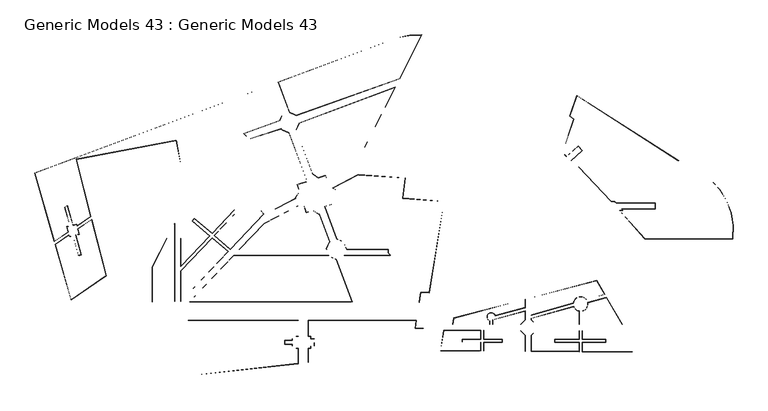
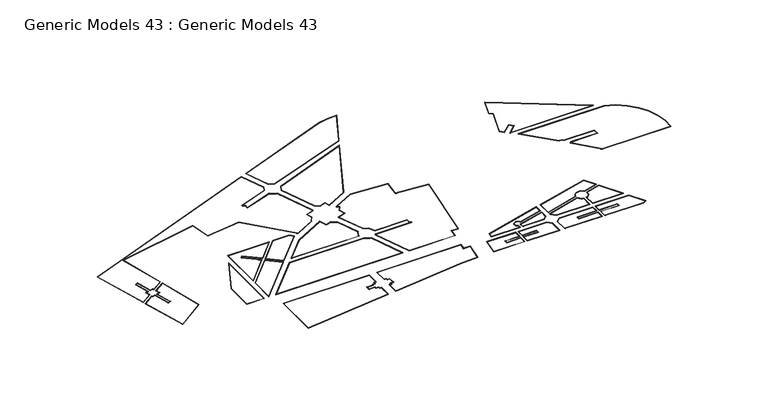
"""IFC4 building model written with IfcOpenShell, lengths in millimetres: proxy geometry, Generic Models 43 : Generic Models 43."""

from ifc_helpers import new_model, si_unit, point, frame_2d, origin, origin_with_axes, place, context, project, spatial, polyline, circle_curve, trimmed, segment, composite_curve, outline, extrude, source, transform, mapped, element, save


def generic_models_43_generic_models_43_cb054e68(model_context):
    return source(origin(), model_context, "Body", "SweptSolid", [
        extrude(outline(polyline([(-269032.5259312, -10984.4092167), (-278519.8318479, -69469.1233099), (-283890.3068298, -69177.7120748), (-284801.5203135, -75496.3488024), (-322251.4695522, -75414.8015954), (-333136.4863604, -46325.8784484), (-332849.1879312, -45673.2146642), (-303321.9254384, -45673.2146642), (-303321.9254384, -45376.1533315), (-304586.168364, -44121.5388453), (-304586.168364, -41726.8486921), (-331205.6612374, -41726.8486921), (-333115.0140359, -36989.9301685), (-337323.1402525, -35137.5398857), (-345123.140968, -14292.9582595), (-338860.059873, -12268.6783026), (-340436.0540532, -7392.5843006), (-337938.6949411, -3765.7659729), (-340010.1065628, -2339.4307608), (-323743.9426698, 6107.5599958), (-293738.9788603, 3983.6135656), (-295350.4188034, -8962.5514236), (-269032.5259312, -10984.4092167)]), holes=[polyline([(-295574.7845145, -9145.9039814), (-293963.5007555, 3799.0062384), (-323701.8150221, 5904.0774802), (-339622.4950529, -2363.5041047), (-337660.5430713, -3714.4674605), (-340215.4399721, -7424.8456995), (-338608.2443418, -12397.4763547), (-344862.4719446, -14418.8947892), (-337165.3797886, -34988.4654318), (-332959.9441725, -36839.6713294), (-331070.6409957, -41526.8486921), (-304386.168364, -41526.8486921), (-304386.168364, -44038.247941), (-303121.9254384, -45292.8624271), (-303121.9254384, -45873.2146642), (-332718.7070513, -45873.2146642), (-332920.6562564, -46331.9882564), (-322112.6523928, -75215.1033954), (-284974.6927387, -75295.9712456), (-284062.1466086, -68968.0935349), (-278688.4704071, -69259.6784738), (-269264.7851452, -11167.1553604), (-295574.7845145, -9145.9039814)])]), origin_with_axes(), (0.0, 0.0, 1.0), 300.0),
        extrude(outline(polyline([(-337810.2638616, -48102.5265197), (-327586.3348763, -75424.7704588), (-431553.4651251, -75176.7966678), (-403409.6548062, -45673.2146642), (-342471.3923765, -45673.2146642), (-342272.7127732, -46178.6207983), (-337810.2638616, -48102.5265197)]), holes=[polyline([(-403324.0354399, -45873.2146642), (-431087.341081, -74977.9078594), (-327874.976129, -75224.0814467), (-337967.7094573, -48252.4424218), (-342428.3759636, -46329.3051529), (-342607.6691523, -45873.2146642), (-403324.0354399, -45873.2146642)])]), origin_with_axes(), (0.0, 0.0, 1.0), 300.0),
        extrude(outline(polyline([(-343954.4007088, -41900.7010515), (-399811.010156, -41900.7010515), (-383730.6821286, -25043.4499819), (-359202.988994, -12306.2613889), (-358831.6800963, -12561.9377353), (-357028.5207557, -18140.8761322), (-352741.743384, -16755.3539935), (-348767.4633511, -19491.9687224), (-348604.7183631, -19255.6204524), (-342003.1253878, -36897.5987875), (-342208.9408352, -36974.6145159), (-344153.9369125, -41393.1158759), (-343954.4007088, -41900.7010515)]), holes=[polyline([(-344247.921008, -41700.7010515), (-344370.5436804, -41388.7704368), (-342358.0152891, -36816.854052), (-342260.5335317, -36780.3765735), (-348657.5762554, -19685.034652), (-348716.1648387, -19770.1205921), (-352774.0047829, -16975.9680747), (-357157.3188078, -18392.6916634), (-359001.084635, -12688.1176213), (-359217.4518152, -12539.1312371), (-383608.953027, -25205.5956003), (-399343.8261333, -41700.7010515), (-344247.921008, -41700.7010515)])]), origin_with_axes(), (0.0, 0.0, 1.0), 300.0),
        extrude(outline(polyline([(-363813.6134301, -9131.4718329), (-380012.8630781, -17645.1838918), (-409405.0272184, 15567.3909903), (-436951.315698, 11772.4807049), (-439867.5169473, 27822.4056227), (-504010.1283319, 15823.5974375), (-494615.2383752, -20690.759759), (-503322.5287332, -26641.1861743), (-503558.5081804, -25724.0239865), (-505971.2317922, -26344.8009786), (-509587.3167813, -13689.0396095), (-511327.5543708, -14878.2908341), (-507908.8267494, -26843.3306749), (-509955.9986048, -27370.0537444), (-509123.5391969, -30605.5062416), (-517854.8684335, -36572.3604515), (-530321.4307079, 7061.4523673), (-379562.4159797, 63475.1738724), (-372466.9455231, 43974.0634688), (-374000.0914312, 40491.173524), (-396937.5943597, 32328.1366075), (-395172.2398452, 30606.1282373), (-395172.2398452, 28310.117077), (-372853.4467453, 35591.0239953), (-372530.717461, 34770.0571864), (-368086.4320432, 32853.9823332), (-356551.3357926, 2075.0623152), (-356967.4210248, 1470.7977788), (-362761.8681208, -402.0157677), (-361322.8246754, -4854.3869763), (-364121.8137519, -8919.2508689), (-363813.6134301, -9131.4718329)]), holes=[polyline([(-379681.3520906, 63217.1243917), (-530078.3994075, 6938.8503673), (-517738.7482354, -36250.7649927), (-509352.1783158, -30519.5139225), (-510199.5256657, -27226.1976684), (-508157.551892, -26700.8120291), (-511559.4856248, -14794.5483088), (-509471.2005174, -13367.4468393), (-505832.4379434, -26102.5763936), (-503414.6521044, -25480.4969256), (-503199.902984, -26315.1449233), (-494843.8774941, -20604.7674399), (-504257.1062921, 15980.8658441), (-439706.6785969, 28055.9620004), (-436788.7917046, 11996.759793), (-409326.2289833, 15780.1356119), (-379967.0498979, -17395.1667987), (-364199.7030014, -9108.4464674), (-364399.9656216, -8970.5493813), (-361543.4387565, -4822.1255774), (-363013.6836521, -273.2177156), (-357093.6009108, 1640.2023175), (-356775.2269849, 2102.564492), (-368243.8229645, 32704.0428592), (-372686.3806514, 34619.3728318), (-372970.6193858, 35342.4264192), (-395372.2398452, 28034.499299), (-395372.2398452, 30521.8256177), (-397306.9095187, 32408.991818), (-374148.3963153, 40650.6822408), (-372682.3487323, 43981.1430654), (-379681.3520906, 63217.1243917)])]), origin_with_axes(), (0.0, 0.0, 1.0), 300.0),
        extrude(outline(polyline([(-326561.352352, 10278.4672785), (-343321.668901, 1535.4494622), (-344593.4072381, 5470.1820618), (-349192.8199892, 3983.6135656), (-352923.4541086, 6552.4582857), (-363432.6437054, 34637.0275526), (-361418.9073538, 39110.7876318), (-300084.1247119, 62150.9214003), (-326561.352352, 10278.4672785)]), holes=[polyline([(-361270.6842108, 38952.8215289), (-363216.4745715, 34630.0117274), (-352758.1945668, 6681.4923389), (-349160.5585903, 4204.2276467), (-344464.609186, 5721.9975931), (-343204.1962447, 1822.3055382), (-326710.4614771, 10426.2609891), (-300496.8613647, 61782.2332866), (-361270.6842108, 38952.8215289)])]), origin_with_axes(), (0.0, 0.0, 1.0), 300.0),
        extrude(outline(composite_curve([segment(polyline([(-297380.8496812, 67444.1513394), (-363373.0187237, 43958.7478162), (-367620.4473838, 45828.4387836), (-374879.5365061, 65227.4979967), (-298559.6442412, 93786.2488965)]), True, "CONTINUOUS"), segment(trimmed(circle_curve(frame_2d((-285091.1180193, 42261.8268842)), 53255.6782164), [point((-298559.6442412, 93786.2488965))], [point((-283094.6489097, 95480.0697469))], False, "CARTESIAN"), True, "CONTINUOUS"), segment(polyline([(-283094.6489097, 95480.0697469), (-297380.8496812, 67444.1513394)]), True, "CONTINUOUS")], self_intersect=False), holes=[composite_curve([segment(polyline([(-374622.1283622, 65110.2757827), (-367462.6869199, 45977.5132375), (-363365.1904499, 44173.8214625), (-297522.9049228, 67605.8841895), (-283415.4430993, 95291.0368026)]), True, "CONTINUOUS"), segment(trimmed(circle_curve(frame_2d((-285091.1180193, 42261.8268842)), 53055.6782164), [point((-283415.4430993, 95291.0368026))], [point((-298499.1580925, 93595.3388662))], True, "CARTESIAN"), True, "CONTINUOUS"), segment(polyline([(-298499.1580925, 93595.3388662), (-374622.1283622, 65110.2757827)]), True, "CONTINUOUS")], self_intersect=False)]), origin_with_axes(), (0.0, 0.0, 1.0), 300.0),
        extrude(outline(polyline([(-400104.6372347, -16455.4403815), (-386407.1724534, -16455.4403815), (-384061.5759416, -19105.9189042), (-405451.6048239, -41726.8486921), (-415700.6772828, -32948.9630801), (-400104.6372347, -16455.4403815)]), holes=[polyline([(-400018.4994186, -16655.4403815), (-415411.011505, -32933.7229906), (-405466.1128596, -41451.0969367), (-384332.6034517, -19101.4481768), (-386497.2493084, -16655.4403815), (-400018.4994186, -16655.4403815)])]), origin_with_axes(), (0.0, 0.0, 1.0), 300.0),
        extrude(outline(polyline([(-417110.5768427, -34439.996081), (-406824.0403165, -43178.2617353), (-437060.1772014, -75154.3536467), (-437017.3950253, -55380.0811935), (-417110.5768427, -34439.996081)]), holes=[polyline([(-436817.5678055, -55460.1579476), (-436859.0868416, -74650.5967684), (-407114.2904919, -43194.1198519), (-417095.9272762, -34714.8621674), (-436817.5678055, -55460.1579476)])]), origin_with_axes(), (0.0, 0.0, 1.0), 300.0),
        extrude(outline(polyline([(-418529.9394912, -33030.0900903), (-437011.3261521, -52574.99825), (-436933.1805067, -16455.4403815), (-402857.1868982, -16455.4403815), (-417153.8754041, -31574.8396431), (-428451.8652911, -21905.7265645), (-429760.1903594, -23434.454512), (-418529.9394912, -33030.0900903)]), holes=[polyline([(-436733.6127441, -16655.4403815), (-436810.2357923, -52071.2413717), (-418819.7732124, -33045.5077877), (-430042.2871403, -23456.483002), (-428473.7725577, -21623.7335297), (-417168.431091, -31299.1382811), (-403321.5590148, -16655.4403815), (-436733.6127441, -16655.4403815)])]), origin_with_axes(), (0.0, 0.0, 1.0), 300.0),
        extrude(outline(polyline([(-440961.0407768, -25103.202977), (-441063.4983475, -75156.088585), (-455282.5128218, -75209.4432927), (-455365.8189064, -53008.395328), (-440961.0407768, -25103.202977)]), holes=[polyline([(-441162.7335248, -25929.9446876), (-455165.6365522, -53056.6174441), (-455083.2646943, -75008.6942361), (-441263.0908995, -74956.836118), (-441162.7335248, -25929.9446876)])]), origin_with_axes(), (0.0, 0.0, 1.0), 300.0),
        extrude(outline(polyline([(-432427.5534149, -87284.9910027), (-361993.7133006, -87284.9910027), (-361993.7133006, -97334.3157641), (-363580.559161, -97323.5477954), (-363590.3668688, -98768.8775903), (-365914.4069442, -98753.107137), (-365921.5727652, -99809.1107182), (-370862.0547176, -99809.1107182), (-370862.0547176, -102462.9058555), (-365939.5808678, -102462.9058555), (-365947.1478069, -103578.0208854), (-363623.1077315, -103593.7913387), (-363632.9154393, -105039.1211336), (-362046.069579, -105049.88914), (-362046.069579, -114773.7152057), (-432427.5534149, -122747.9947171), (-432427.5534149, -87284.9910027)]), holes=[polyline([(-432227.5534149, -87484.9910027), (-432227.5534149, -122524.0549401), (-362246.069579, -114595.0957548), (-362246.069579, -105248.5365862), (-363834.267962, -105237.7594018), (-363824.4602542, -103792.4296069), (-366148.5003295, -103776.6591536), (-366140.942631, -102662.9058555), (-371062.0547176, -102662.9058555), (-371062.0547176, -99609.1107182), (-366120.2202113, -99609.1107182), (-366113.0452124, -98551.7546143), (-363789.0051371, -98567.5250676), (-363779.1974293, -97122.1952775), (-362193.7133006, -97132.9540058), (-362193.7133006, -87484.9910027), (-432227.5534149, -87484.9910027)])]), origin_with_axes(), (0.0, 0.0, 1.0), 300.0),
        extrude(outline(composite_curve([segment(polyline([(-355568.7347876, -87285.0335671), (-286696.3004557, -87285.0335671), (-287488.6483003, -92214.8094537), (-282075.4731565, -92278.3698037), (-284395.735973, -106714.3113704)]), True, "CONTINUOUS"), segment(trimmed(circle_curve(frame_2d((-273390.2047867, -382494.8006785)), 275999.9999995), [point((-284395.735973, -106714.3113704))], [point((-299057.7748002, -107690.9145173))], True, "CARTESIAN"), True, "CONTINUOUS"), segment(polyline([(-299057.7748002, -107690.9145173), (-355621.0910659, -114045.7599009), (-355621.0910659, -105093.4877099), (-354034.2452056, -105104.2557164), (-354024.4374977, -103658.9259215), (-351700.3974224, -103674.6963748), (-351667.6565597, -98849.7826264), (-353991.6966351, -98834.0121731), (-353981.8889272, -97388.6823782), (-355568.7347876, -97377.9143718), (-355568.7347876, -87285.0335671)]), True, "CONTINUOUS")], self_intersect=False), holes=[composite_curve([segment(polyline([(-355368.7347876, -87485.0335671), (-355368.7347876, -97179.2669256), (-353780.5364045, -97190.04411), (-353790.3441124, -98635.3739049), (-351466.304037, -98651.1443582), (-351501.7591541, -103876.0488974), (-353825.7992295, -103860.2784441), (-353835.6069373, -105305.608239), (-355421.0910659, -105294.849473), (-355421.0910659, -113822.0317767), (-299078.2414623, -107491.9556542)]), True, "CONTINUOUS"), segment(trimmed(circle_curve(frame_2d((-273390.2047867, -382494.8006785)), 276199.9999995), [point((-299078.2414623, -107491.9556542))], [point((-284567.2394804, -106521.0448698))], False, "CARTESIAN"), True, "CONTINUOUS"), segment(polyline([(-284567.2394804, -106521.0448698), (-282309.7457664, -92475.632811), (-287722.920626, -92412.0724644), (-286931.0126893, -87485.0335671), (-355368.7347876, -87485.0335671)]), True, "CONTINUOUS")], self_intersect=False)]), origin_with_axes(), (0.0, 0.0, 1.0), 300.0),
        extrude(outline(polyline([(-269099.2000184, -93501.7611645), (-245593.0749647, -93610.7941127), (-245593.0749647, -99146.9218313), (-257346.1374916, -99146.9218313), (-257346.1374916, -101146.9218313), (-245593.0749647, -101146.9218313), (-245593.0749647, -106678.411059), (-271192.2646648, -106503.3774655), (-269099.2000184, -93501.7611645)]), holes=[polyline([(-268928.9494484, -93702.5530218), (-270957.7500193, -106304.9762764), (-245793.0749647, -106477.0388908), (-245793.0749647, -101346.9218313), (-257546.1374916, -101346.9218313), (-257546.1374916, -98946.9218313), (-245793.0749647, -98946.9218313), (-245793.0749647, -93809.8685661), (-268928.9494484, -93702.5530218)])]), origin_with_axes(), (0.0, 0.0, 1.0), 300.0),
        extrude(outline(polyline([(-243593.0749647, -93620.0710946), (-220086.9749311, -93729.1039268), (-217086.9749311, -96706.256009), (-217086.9749311, -106873.3205537), (-243562.2704472, -106692.2966162), (-243575.3170557, -101153.8646099), (-231590.0249479, -101153.8646099), (-231590.0249479, -99153.8646099), (-243577.6727059, -99153.8646099), (-243593.0749647, -93620.0710946)]), holes=[polyline([(-243392.5149329, -93821.003542), (-243378.2285931, -98953.8646099), (-231390.0249479, -98953.8646099), (-231390.0249479, -101353.8646099), (-243374.8453708, -101353.8646099), (-243362.7378195, -106493.6562388), (-217286.9749311, -106671.9483854), (-217286.9749311, -96789.5469133), (-220169.7549137, -93928.7221041), (-243392.5149329, -93821.003542)])]), origin_with_axes(), (0.0, 0.0, 1.0), 300.0),
        extrude(outline(polyline([(-210165.0297819, -93760.9670083), (-182514.6673175, -93760.9670083), (-182514.6673175, -99295.2395057), (-198267.7298443, -99295.2395057), (-198267.7298443, -101295.2395057), (-182514.6673175, -101295.2395057), (-182514.6673175, -107109.7075375), (-213087.1619262, -106900.6691398), (-213165.0297819, -96676.3865822), (-210165.0297819, -93760.9670083)]), holes=[polyline([(-212964.3850307, -96760.2827601), (-212888.6690197, -106702.0216533), (-182714.6673175, -106908.3353692), (-182714.6673175, -101495.2395057), (-198467.7298443, -101495.2395057), (-198467.7298443, -99095.2395057), (-182714.6673175, -99095.2395057), (-182714.6673175, -93960.9670083), (-210083.8571881, -93960.9670083), (-212964.3850307, -96760.2827601)])]), origin_with_axes(), (0.0, 0.0, 1.0), 300.0),
        extrude(outline(polyline([(-180511.3040249, -93760.9670083), (-152864.3332567, -93760.9670083), (-145987.3366375, -105660.4499278), (-148401.6065142, -107342.9544367), (-180485.7975675, -107123.5798658), (-180496.9094085, -101302.1822843), (-165511.6173007, -101302.1822843), (-165511.6173007, -99302.1822843), (-180500.7269938, -99302.1822843), (-180511.3040249, -93760.9670083)]), holes=[polyline([(-180310.921902, -93960.9670083), (-180301.108388, -99102.1822843), (-165311.6173007, -99102.1822843), (-165311.6173007, -101502.1822843), (-180296.5272856, -101502.1822843), (-180286.1763653, -106924.9400939), (-148463.8050162, -107142.5244815), (-146252.4445855, -105601.4275515), (-152979.7459601, -93960.9670083), (-180310.921902, -93960.9670083)])]), origin_with_axes(), (0.0, 0.0, 1.0), 300.0),
        extrude(outline(composite_curve([segment(polyline([(-177150.0953402, -75705.3519288), (-165199.5705755, -72416.9190305), (-155176.0292071, -89760.9670083), (-180403.6949021, -89760.9670083), (-180403.6949021, -81138.2607653)]), True, "CONTINUOUS"), segment(trimmed(circle_curve(frame_2d((-181692.4791861, -76675.7540347)), 4644.8822645), [point((-180403.6949021, -81138.2607653))], [point((-177150.0953402, -75705.3519288))], True, "CARTESIAN"), True, "CONTINUOUS")], self_intersect=False), holes=[composite_curve([segment(polyline([(-155522.6115055, -89560.9670083), (-165295.4410813, -72650.7335078), (-176918.6419983, -75849.0965112)]), True, "CONTINUOUS"), segment(trimmed(circle_curve(frame_2d((-181692.4791861, -76675.7540347)), 4844.8822645), [point((-176918.6419983, -75849.0965112))], [point((-180203.6949021, -81286.2209864))], False, "CARTESIAN"), True, "CONTINUOUS"), segment(polyline([(-180203.6949021, -81286.2209864), (-180203.6949021, -89560.9670083), (-155522.6115055, -89560.9670083)]), True, "CONTINUOUS")], self_intersect=False)]), origin_with_axes(), (0.0, 0.0, 1.0), 300.0),
        extrude(outline(composite_curve([segment(polyline([(-213247.3639948, -85865.6579736), (-186074.1306094, -78217.2020734)]), True, "CONTINUOUS"), segment(trimmed(circle_curve(frame_2d((-181692.4791861, -76675.7540347)), 4644.8822645), [point((-186074.1306094, -78217.2020734))], [point((-182670.5294945, -81216.4972388))], True, "CARTESIAN"), True, "CONTINUOUS"), segment(polyline([(-182670.5294945, -81216.4972388), (-182670.5294945, -89760.9670083), (-210165.0297819, -89760.9670083), (-213240.5453457, -86760.9670083), (-213247.3639948, -85865.6579736)]), True, "CONTINUOUS")], self_intersect=False), holes=[composite_curve([segment(polyline([(-210083.6394799, -89560.9670083), (-182870.5294945, -89560.9670083), (-182870.5294945, -81375.2307745)]), True, "CONTINUOUS"), segment(trimmed(circle_curve(frame_2d((-181692.4791861, -76675.7540347)), 4844.8822645), [point((-182870.5294945, -81375.2307745))], [point((-186197.0220575, -78459.5639115))], False, "CARTESIAN"), True, "CONTINUOUS"), segment(polyline([(-186197.0220575, -78459.5639115), (-213046.2070261, -86016.8098336), (-213041.186354, -86676.0391196), (-210083.6394799, -89560.9670083)]), True, "CONTINUOUS")], self_intersect=False)]), origin_with_axes(), (0.0, 0.0, 1.0), 300.0),
        extrude(outline(composite_curve([segment(polyline([(-213348.2329297, -72621.2648767), (-171481.7391605, -61546.685713), (-166269.6354263, -70565.3522609), (-177987.005941, -73874.9685591)]), True, "CONTINUOUS"), segment(trimmed(circle_curve(frame_2d((-181692.4791861, -76675.7540347)), 4644.8822645), [point((-177987.005941, -73874.9685591))], [point((-186315.6750081, -76227.4331204))], True, "CARTESIAN"), True, "CONTINUOUS"), segment(polyline([(-186315.6750081, -76227.4331204), (-213262.8008529, -83838.7522961), (-213348.2329297, -72621.2648767)]), True, "CONTINUOUS")], self_intersect=False), holes=[composite_curve([segment(trimmed(circle_curve(frame_2d((-181692.4791861, -76675.7540347)), 4844.8822645), [point((-186499.5376018, -76071.5408732))], [point((-177911.870947, -73645.9214487))], False, "CARTESIAN"), True, "CONTINUOUS"), segment(polyline([(-177911.870947, -73645.9214487), (-166571.4695031, -70442.7815121), (-171578.3996153, -61779.1333167), (-213147.0568325, -72774.9283699), (-213064.8037653, -83575.0023155), (-186499.5376018, -76071.5408732)]), True, "CONTINUOUS")], self_intersect=False)]), origin_with_axes(), (0.0, 0.0, 1.0), 300.0),
        extrude(outline(polyline([(-237752.3428527, -86670.8870384), (-217086.9749311, -81208.088418), (-217086.9749311, -86760.9670083), (-220086.9749311, -89760.9670083), (-237752.3428527, -89760.9670083), (-237752.3428527, -86670.8870384)]), holes=[polyline([(-237552.3428527, -86824.8877935), (-237552.3428527, -89560.9670083), (-220169.8176436, -89560.9670083), (-217286.9749311, -86678.1242958), (-217286.9749311, -81467.8274041), (-237552.3428527, -86824.8877935)])]), origin_with_axes(), (0.0, 0.0, 1.0), 300.0),
        extrude(outline(composite_curve([segment(polyline([(-262695.8988601, -85666.1021324), (-217086.9749311, -73609.5847908), (-217086.9749311, -79139.3897116), (-236190.3864558, -84189.292066)]), True, "CONTINUOUS"), segment(trimmed(circle_curve(frame_2d((-238752.3428527, -84954.572029)), 2673.8126339), [point((-236190.3864558, -84189.292066))], [point((-239752.3428527, -87434.3450027))], True, "CARTESIAN"), True, "CONTINUOUS"), segment(polyline([(-239752.3428527, -87434.3450027), (-239752.3428527, -89760.9670083), (-263378.6527856, -89760.9670083), (-262695.8988601, -85666.1021324)]), True, "CONTINUOUS")], self_intersect=False), holes=[composite_curve([segment(trimmed(circle_curve(frame_2d((-238752.3428527, -84954.572029)), 2873.8126339), [point((-239952.3428527, -87565.8550575))], [point((-236060.5389516, -83948.0975819))], False, "CARTESIAN"), True, "CONTINUOUS"), segment(polyline([(-236060.5389516, -83948.0975819), (-217286.9749311, -78985.3889565), (-217286.9749311, -73869.3237769), (-262519.8716912, -85826.4399994), (-263142.544979, -89560.9670083), (-239952.3428527, -89560.9670083), (-239952.3428527, -87565.8550575)]), True, "CONTINUOUS")], self_intersect=False)]), origin_with_axes(), (0.0, 0.0, 1.0), 300.0),
        extrude(outline(composite_curve([segment(trimmed(circle_curve(frame_2d((-126770.6239722, -29225.7497607)), 42580.2040694), [point((-112870.2975992, 11021.6688561))], [point((-84580.2661726, -34974.4441626))], False, "CARTESIAN"), True, "CONTINUOUS"), segment(polyline([(-84580.2661726, -34974.4441626), (-140619.951654, -34974.4441626), (-156668.3116462, -16976.3876532), (-154608.2856457, -16976.3876532), (-155557.7632851, -15978.7205277), (-134018.7638563, -15978.7205277), (-134018.7638563, -12030.0216812), (-159075.6274104, -12030.0216812), (-160078.3686293, -10976.3876532), (-162078.3686293, -10976.3876532), (-183013.8712941, 11021.6688561), (-112870.2975992, 11021.6688561)]), True, "CONTINUOUS")], self_intersect=False), holes=[composite_curve([segment(trimmed(circle_curve(frame_2d((-126770.6239722, -29225.7497607)), 42380.2040694), [point((-84755.2257545, -34774.4441626))], [point((-112903.9026909, 10821.6688561))], True, "CARTESIAN"), True, "CONTINUOUS"), segment(polyline([(-112903.9026909, 10821.6688561), (-182547.4354577, 10821.6688561), (-161992.6119253, -10776.3876532), (-159992.6119253, -10776.3876532), (-158989.8707063, -11830.0216812), (-133818.7638563, -11830.0216812), (-133818.7638563, -16178.7205277), (-155091.3274486, -16178.7205277), (-154141.8498092, -17176.3876532), (-156222.0161894, -17176.3876532), (-140530.3249294, -34774.4441626), (-84755.2257545, -34774.4441626)]), True, "CONTINUOUS")], self_intersect=False)]), origin_with_axes(), (0.0, 0.0, 1.0), 300.0),
        extrude(outline(polyline([(-184023.5191949, 56599.5973732), (-119114.8307679, 15021.6688561), (-187732.8282204, 15021.6688561), (-180625.7204865, 21436.9549577), (-183271.5620013, 24368.122858), (-190707.9012852, 17655.6533357), (-193210.0742399, 20284.8207808), (-185940.6353906, 41650.9633874), (-188587.4297593, 43374.3328654), (-184023.5191949, 56599.5973732)]), holes=[polyline([(-119797.8477798, 15221.6688561), (-183917.3727698, 56294.0906103), (-188347.4246782, 43456.7206744), (-185701.2158714, 41733.732465), (-192981.7403479, 20335.0072757), (-190697.3142635, 17934.6381563), (-183257.1103352, 24650.5961299), (-180343.2472146, 21422.5032916), (-187212.776909, 15221.6688561), (-119797.8477798, 15221.6688561)])]), origin_with_axes(), (0.0, 0.0, 1.0), 300.0),
        extrude(outline(polyline([(-484863.3922893, -58592.4694058), (-507093.4646937, -74175.8686037), (-517304.6475718, -38498.0518958), (-508609.9943118, -32601.4595158), (-508362.6694549, -33562.7169876), (-506151.4774544, -32993.7926763), (-502523.4733828, -45691.2690672), (-500636.4720035, -45015.6693487), (-504213.8824972, -32495.26298), (-501965.1790306, -31916.6872297), (-502802.3776933, -28662.8150552), (-494085.1715267, -22750.927609), (-484863.3922893, -58592.4694058)]), holes=[polyline([(-485091.59042, -58508.1910399), (-494208.0650933, -23075.927956), (-502573.6063734, -28749.3211888), (-501721.6519697, -32060.5433057), (-503965.1573546, -32637.7816258), (-500392.7074174, -45140.8267823), (-502657.1090724, -45951.5464445), (-506290.2713032, -33236.0172614), (-508506.525531, -33806.2440484), (-508732.8878784, -32926.4598628), (-517072.5119253, -38582.2763901), (-506978.4206592, -73850.9756511), (-485091.59042, -58508.1910399)])]), origin_with_axes(), (0.0, 0.0, 1.0), 300.0),
    ])


if __name__ == "__main__":
    model = new_model("IFC4")
    model_context = context("Model", 3, world=origin())
    ifc_project = project(units=[si_unit("LENGTHUNIT", "METRE", prefix="MILLI")], contexts=[model_context])
    site = spatial("IfcSite", under=ifc_project)
    building = spatial("IfcBuilding", under=site)
    placement = place(None, origin())
    generic_models_43_generic_models_43_shape = generic_models_43_generic_models_43_cb054e68(model_context)
    element("IfcBuildingElementProxy", 1, Name="Generic Models 43 : Generic Models 43", ObjectType="Generic Models 43 : Generic Models 43", at=placement, inside=building, context=model_context, shape_type="MappedRepresentation", body=[
        mapped(generic_models_43_generic_models_43_shape, transform((0.0, 0.0, 0.0), x_axis=(1.0, 0.0, 0.0), y_axis=(0.0, 1.0, 0.0), z_axis=(0.0, 0.0, 1.0))),
    ])
    save(model, "model.ifc")
